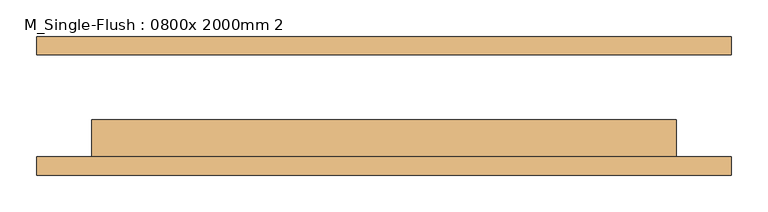
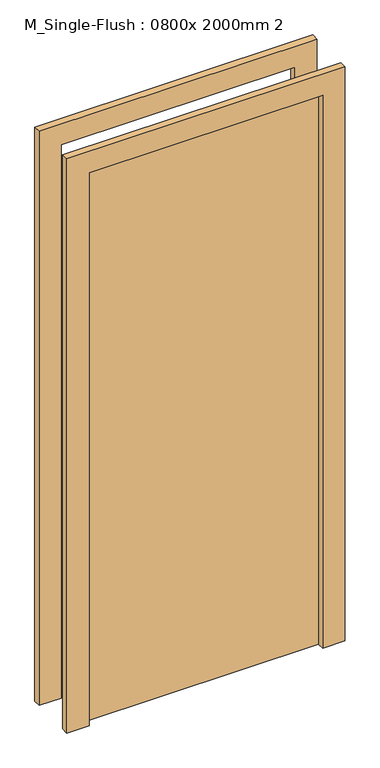
"""IFC4 building model written with IfcOpenShell, lengths in millimetres: door geometry, M_Single-Flush : 0800x 2000mm 2."""

import ifcopenshell
import ifcopenshell.guid

model = None  # the IFC model being written
_history = None  # IfcOwnerHistory: only IFC2X3 demands one
_inside = {}  # id of a spatial element -> (the spatial element, [elements in it])
_under = {}  # id of a project, library or spatial element -> (it, [spatial elements below it])
_declared = {}  # id of a project -> (the project, [libraries it declares])
_typed = {}  # id of a type object -> (the type object, [elements of that type])
_made_of = {}  # id of a material, layer set ... -> (it, [elements and type objects made of it])


def new_model(schema):
    """Start an empty IFC model of exactly this schema.

    Asked for "IFC4X3", IfcOpenShell would pick the latest addendum, in which some entities
    have other attributes; the version numbers below select the first issue.
    IFC2X3 requires an IfcOwnerHistory on every rooted entity: one is made here for all.
    """
    global model, _history
    if schema == "IFC4X3":
        model = ifcopenshell.file(schema_version=(4, 3, 0, 0))
    else:
        model = ifcopenshell.file(schema=schema)
    _inside.clear()
    _under.clear()
    _declared.clear()
    _typed.clear()
    _made_of.clear()
    _history = None
    if model.schema == "IFC2X3":
        org = make("IfcOrganization", Name="unknown")
        user = make(
            "IfcPersonAndOrganization",
            ThePerson=make("IfcPerson", FamilyName="unknown"),
            TheOrganization=org,
        )
        app = make(
            "IfcApplication",
            ApplicationDeveloper=org,
            Version="unknown",
            ApplicationFullName="unknown",
            ApplicationIdentifier="unknown",
        )
        _history = make(
            "IfcOwnerHistory",
            OwningUser=user,
            OwningApplication=app,
            ChangeAction="ADDED",
            CreationDate=0,
        )
    return model


def make(cls, **values):
    """One entity of the class cls with the attributes given. An attribute that is None is left unset."""
    return model.create_entity(
        cls, **{name: value for name, value in values.items() if value is not None}
    )


def rooted(cls, **values):
    """An entity with a GlobalId (a new one), such as an element, a storey or a relation."""
    return make(cls, GlobalId=ifcopenshell.guid.new(), OwnerHistory=_history, **values)


def si_unit(unit_type, name, prefix=None):
    """IfcSIUnit, for example si_unit("LENGTHUNIT", "METRE", prefix="MILLI")."""
    return make("IfcSIUnit", UnitType=unit_type, Prefix=prefix, Name=name)


def assignment(units):
    """IfcUnitAssignment: the units of a project."""
    return None if units is None else make("IfcUnitAssignment", Units=units)


def point(xyz):
    """IfcCartesianPoint."""
    return None if xyz is None else make("IfcCartesianPoint", Coordinates=xyz)


def direction(xyz):
    """IfcDirection."""
    return None if xyz is None else make("IfcDirection", DirectionRatios=xyz)


def frame(location, z_axis=None, x_axis=None):
    """IfcAxis2Placement3D, a coordinate frame: its origin and axes. An axis left out is left unset."""
    return make(
        "IfcAxis2Placement3D",
        Location=point(location),
        Axis=direction(z_axis),
        RefDirection=direction(x_axis),
    )


def origin():
    """The frame at (0, 0, 0) with its axes left unset."""
    return frame((0.0, 0.0, 0.0))


def origin_with_axes():
    """The frame at (0, 0, 0) with the z axis (0, 0, 1) and the x axis (1, 0, 0) written out."""
    return frame((0.0, 0.0, 0.0), z_axis=(0.0, 0.0, 1.0), x_axis=(1.0, 0.0, 0.0))


def place(relative_to, where):
    """IfcLocalPlacement: puts the frame where relative to a parent placement (None: the world)."""
    return make(
        "IfcLocalPlacement", PlacementRelTo=relative_to, RelativePlacement=where
    )


def context(
    kind, dimensions, precision=None, world=None, true_north=None, identifier=None
):
    """IfcGeometricRepresentationContext, for example the 3D "Model" context."""
    return make(
        "IfcGeometricRepresentationContext",
        ContextIdentifier=identifier,
        ContextType=kind,
        CoordinateSpaceDimension=dimensions,
        Precision=precision,
        WorldCoordinateSystem=world,
        TrueNorth=true_north,
    )


def project(units=None, contexts=None):
    """IfcProject with its units and contexts."""
    return rooted(
        "IfcProject",
        Name="project",
        RepresentationContexts=contexts,
        UnitsInContext=assignment(units),
    )


def spatial(cls, under=None, at=None, **own):
    """A site, building, storey or space (cls), placed at a placement, below another one or the project."""
    s = rooted(cls, ObjectPlacement=at, **own)
    if under is not None:
        _under.setdefault(under.id(), (under, []))[1].append(s)
    return s


def polyline(points):
    """IfcPolyline through the points."""
    return make("IfcPolyline", Points=[point(p) for p in points])


def outline(outer, holes=None, kind="AREA"):
    """IfcArbitraryClosedProfileDef: a profile drawn as a closed curve; with holes, ...WithVoids."""
    if holes is None:
        return make("IfcArbitraryClosedProfileDef", ProfileType=kind, OuterCurve=outer)
    return make(
        "IfcArbitraryProfileDefWithVoids",
        ProfileType=kind,
        OuterCurve=outer,
        InnerCurves=holes,
    )


def extrude(swept, where, along, depth):
    """IfcExtrudedAreaSolid: the profile swept, set in the frame where, extruded along a direction by depth."""
    return make(
        "IfcExtrudedAreaSolid",
        SweptArea=swept,
        Position=where,
        ExtrudedDirection=direction(along),
        Depth=depth,
    )


def shape(context_of_items, identifier, shape_type, items):
    """IfcShapeRepresentation: the items that make up one representation, for example the "Body"."""
    return make(
        "IfcShapeRepresentation",
        ContextOfItems=context_of_items,
        RepresentationIdentifier=identifier,
        RepresentationType=shape_type,
        Items=items,
    )


def source(mapping_origin, context_of_items, identifier, shape_type, items):
    """IfcRepresentationMap: a shape defined once, which mapped items show again and again."""
    return make(
        "IfcRepresentationMap",
        MappingOrigin=mapping_origin,
        MappedRepresentation=shape(context_of_items, identifier, shape_type, items),
    )


def transform(
    local_origin,
    x_axis=None,
    y_axis=None,
    z_axis=None,
    scale=None,
    scale2=None,
    scale3=None,
    uniform=True,
):
    """IfcCartesianTransformationOperator3D, or its non-uniform kind. x_axis, y_axis, z_axis: its Axis1, 2, 3."""
    if uniform:
        return make(
            "IfcCartesianTransformationOperator3D",
            Axis1=direction(x_axis),
            Axis2=direction(y_axis),
            LocalOrigin=point(local_origin),
            Scale=scale,
            Axis3=direction(z_axis),
        )
    return make(
        "IfcCartesianTransformationOperator3DnonUniform",
        Axis1=direction(x_axis),
        Axis2=direction(y_axis),
        LocalOrigin=point(local_origin),
        Scale=scale,
        Axis3=direction(z_axis),
        Scale2=scale2,
        Scale3=scale3,
    )


def mapped(mapping_source, mapping_target):
    """IfcMappedItem: shows the shape of a source again, moved by a transform."""
    return make(
        "IfcMappedItem", MappingSource=mapping_source, MappingTarget=mapping_target
    )


def made_of(thing, what):
    """Note that an element or type object is made of a material, layer set ...; save() writes the relation."""
    if what is not None:
        _made_of.setdefault(what.id(), (what, []))[1].append(thing)
    return thing


def element(
    cls,
    number,
    at=None,
    inside=None,
    cuts=None,
    type_object=None,
    material=None,
    context=None,
    identifier="Body",
    shape_type=None,
    held_by="IfcProductDefinitionShape",
    body=None,
    shapes=None,
    **own,
):
    """One element of the class cls, such as IfcWall. Its Tag is "e" and its number.

    at: its placement. inside: the storey or other place that contains it. cuts: it is an
    opening in that element (IfcRelVoidsElement). A single representation is given by context,
    identifier, shape_type and body (its items); several are given by shapes. held_by: the class
    of the entity that holds the representations. save() writes the other relations.
    """
    e = rooted(cls, Tag="e%d" % number, ObjectPlacement=at, **own)
    if body is not None:
        shapes = [shape(context, identifier, shape_type, body)]
    if shapes is not None:
        e.Representation = make(held_by, Representations=shapes)
    if inside is not None:
        _inside.setdefault(inside.id(), (inside, []))[1].append(e)
    if cuts is not None:
        rooted(
            "IfcRelVoidsElement", RelatingBuildingElement=cuts, RelatedOpeningElement=e
        )
    if type_object is not None:
        _typed.setdefault(type_object.id(), (type_object, []))[1].append(e)
    return made_of(e, material)


def aggregate(whole, parts):
    """IfcRelAggregates: a whole, such as a stair, and the parts it consists of."""
    return rooted("IfcRelAggregates", RelatingObject=whole, RelatedObjects=parts)


def save(model, path):
    """Write the relations noted so far, then the file.

    IfcRelAggregates (storeys below a building ...), IfcRelContainedInSpatialStructure (elements
    in a storey), IfcRelDefinesByType, IfcRelAssociatesMaterial and IfcRelDeclares: one each for
    every whole, place, type object, material and project.
    """
    for whole, parts in _under.values():
        aggregate(whole, parts)
    for where, things in _inside.values():
        rooted(
            "IfcRelContainedInSpatialStructure",
            RelatedElements=things,
            RelatingStructure=where,
        )
    for kind, things in _typed.values():
        rooted("IfcRelDefinesByType", RelatedObjects=things, RelatingType=kind)
    for what, things in _made_of.values():
        rooted("IfcRelAssociatesMaterial", RelatedObjects=things, RelatingMaterial=what)
    for by, libraries in _declared.values():
        rooted("IfcRelDeclares", RelatingContext=by, RelatedDefinitions=libraries)
    model.write(path)


def m_single_flush_0800x_2000mm_2_d0bd9fd8(model_context):
    return source(origin(), model_context, "Body", "SweptSolid", [
        extrude(outline(polyline([(2076.0, -476.0), (0.0, -476.0), (0.0, -400.0), (2000.0, -400.0), (2000.0, 400.0), (0.0, 400.0), (0.0, 476.0), (2076.0, 476.0), (2076.0, -476.0)])), frame((0.0, -95.0, 0.0), z_axis=(0.0, 1.0, 0.0), x_axis=(0.0, 0.0, 1.0)), (0.0, 0.0, 1.0), 25.0),
        extrude(outline(polyline([(2076.0, 476.0), (2076.0, -476.0), (0.0, -476.0), (0.0, -400.0), (2000.0, -400.0), (2000.0, 400.0), (0.0, 400.0), (0.0, 476.0), (2076.0, 476.0)])), frame((0.0, 70.0, 0.0), z_axis=(0.0, 1.0, 0.0), x_axis=(0.0, 0.0, 1.0)), (0.0, 0.0, 1.0), 25.0),
        extrude(outline(polyline([(400.0, -19.0), (400.0, -70.0), (-400.0, -70.0), (-400.0, -19.0), (400.0, -19.0)])), origin_with_axes(), (0.0, 0.0, 1.0), 2000.0),
    ])


if __name__ == "__main__":
    model = new_model("IFC4")
    model_context = context("Model", 3, world=origin())
    ifc_project = project(units=[si_unit("LENGTHUNIT", "METRE", prefix="MILLI")], contexts=[model_context])
    site = spatial("IfcSite", under=ifc_project)
    building = spatial("IfcBuilding", under=site)
    placement = place(None, origin())
    m_single_flush_0800x_2000mm_2_shape = m_single_flush_0800x_2000mm_2_d0bd9fd8(model_context)
    element("IfcDoor", 1, ObjectType="M_Single-Flush : 0800x 2000mm 2", at=placement, inside=building, context=model_context, shape_type="MappedRepresentation", body=[
        mapped(m_single_flush_0800x_2000mm_2_shape, transform((0.0, 0.0, 0.0), x_axis=(1.0, 0.0, 0.0), y_axis=(0.0, 1.0, 0.0), z_axis=(0.0, 0.0, 1.0))),
    ])
    save(model, "model.ifc")
